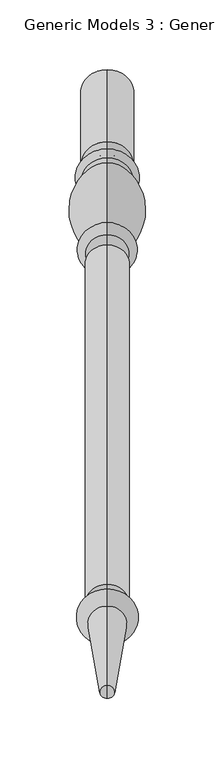
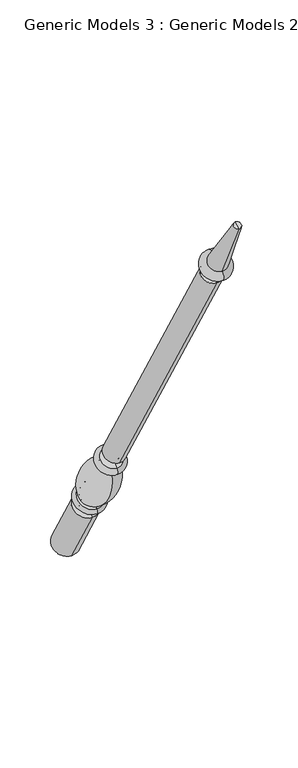
"""IFC4 building model written with IfcOpenShell, lengths in millimetres: proxy geometry, Generic Models 3 : Generic Models 2."""

from ifc_helpers import new_model, si_unit, point, frame, origin, place, context, project, spatial, polyline, circle_curve, ellipse_curve, trimmed, source, transform, mapped, element, save
from ifc_brep_helpers import plane_surface, cylinder_surface, revolved_surface, advanced_brep


def generic_models_3_generic_models_2_e9a91e8b(model_context):
    return source(origin(), model_context, "Body", "AdvancedBrep", [
        advanced_brep(
        [(-2229.2684498, 1861.1601077, 610.5814746), (-2229.2684498, 1828.1645398, 591.5314746), (-2229.2684498, 1880.0576333, 501.65), (-2229.2684498, 1913.0532012, 520.7), (-2229.2684498, 1853.6896456, 623.5206944), (-2229.2684498, 1820.6940777, 604.4706944), (-2229.2684498, 1849.5864045, 630.6277165), (-2229.2684498, 1816.5908366, 611.5777165), (-2229.2684498, 1845.9182158, 636.9812058), (-2229.2684498, 1812.9226479, 617.9312058), (-2229.2684498, 1801.1569262, 703.055156), (-2229.2684498, 1778.0815733, 689.7325947), (-2229.2684498, 1799.8610191, 710.4046105), (-2229.2684498, 1772.3647125, 694.5296105), (-2229.2684498, 1794.1590629, 720.2806883), (-2229.2684498, 1766.6627563, 704.4056883), (-2229.2684498, 1786.7732215, 733.0733408), (-2229.2684498, 1759.276915, 717.1983408), (-2229.2684498, 1542.2982215, 1156.516462), (-2229.2684498, 1514.801915, 1140.641462), (-2229.2684498, 1537.2251467, 1153.5875209), (-2229.2684498, 1519.8749898, 1143.5704031), (-2229.2684498, 1531.1910418, 1164.0388972), (-2229.2684498, 1513.8408848, 1154.0217794), (-2229.2684498, 1534.7597609, 1166.0992981), (-2229.2684498, 1510.2721658, 1151.9613785), (-2229.2684498, 1526.5847892, 1180.2587644), (-2229.2684498, 1502.0971941, 1166.1208448), (-2229.2684498, 1469.4852742, 1261.8053229), (-2229.2684498, 1460.0255603, 1256.3437545), (-2229.2684498, 1464.7554173, 1259.0745387), (-2229.2684498, 1896.5554173, 511.175)],
        [
            (0, 1, circle_curve(frame((-2229.2684498, 1844.6623237, 601.0564746), z_axis=(0.0, 0.5000000000000062, -0.8660254037844352), x_axis=(0.0, -0.8660254037844352, -0.5000000000000062)), 19.05)),
            (1, 2),
            (2, 3, circle_curve(frame((-2229.2684498, 1896.5554173, 511.175), z_axis=(0.0, -0.5000000000000062, 0.8660254037844352), x_axis=(0.0, -0.8660254037844352, -0.5000000000000062)), 19.05)),
            (3, 0),
            (1, 0, circle_curve(frame((-2229.2684498, 1844.6623237, 601.0564746), z_axis=(0.0, 0.5000000000000062, -0.8660254037844352), x_axis=(0.0, -0.8660254037844352, -0.5000000000000062)), 19.05)),
            (3, 2, circle_curve(frame((-2229.2684498, 1896.5554173, 511.175), z_axis=(0.0, -0.5000000000000062, 0.8660254037844352), x_axis=(0.0, -0.8660254037844352, -0.5000000000000062)), 19.05)),
            (4, 5, circle_curve(frame((-2229.2684498, 1837.1918617, 613.9956944), z_axis=(0.0, 0.5000000000000062, -0.8660254037844352), x_axis=(0.0, -0.8660254037844352, -0.5000000000000062)), 19.05)),
            (5, 1, circle_curve(frame((-2229.2684498, 1821.8102989, 596.4889985), z_axis=(-1.0, 0.0, 0.0), x_axis=(0.0, 0.8660254037844352, 0.5000000000000062)), 8.0593685)),
            (0, 4, circle_curve(frame((-2229.2684498, 1860.0438865, 618.5631706), z_axis=(-1.0, 0.0, 0.0), x_axis=(0.0, -0.8660254037844352, -0.5000000000000062)), 8.0593685)),
            (5, 4, circle_curve(frame((-2229.2684498, 1837.1918617, 613.9956944), z_axis=(0.0, 0.5000000000000062, -0.8660254037844352), x_axis=(0.0, -0.8660254037844352, -0.5000000000000062)), 19.05)),
            (6, 7, circle_curve(frame((-2229.2684498, 1833.0886205, 621.1027165), z_axis=(0.0, 0.5000000000000062, -0.8660254037844352), x_axis=(0.0, -0.8660254037844352, -0.5000000000000062)), 19.05)),
            (7, 5, circle_curve(frame((-2229.2684498, 1818.6424572, 608.0242055), z_axis=(1.0, 0.0, 0.0), x_axis=(0.0, 0.8660254037844352, 0.5000000000000062)), 4.1032411)),
            (4, 6, circle_curve(frame((-2229.2684498, 1851.638025, 627.0742055), z_axis=(1.0, 0.0, 0.0), x_axis=(0.0, -0.8660254037844352, -0.5000000000000062)), 4.1032411)),
            (7, 6, circle_curve(frame((-2229.2684498, 1833.0886205, 621.1027165), z_axis=(0.0, 0.5000000000000062, -0.8660254037844352), x_axis=(0.0, -0.8660254037844352, -0.5000000000000062)), 19.05)),
            (8, 9, circle_curve(frame((-2229.2684498, 1829.4204318, 627.4562058), z_axis=(0.0, 0.5000000000000062, -0.8660254037844352), x_axis=(0.0, -0.8660254037844352, -0.5000000000000062)), 19.05)),
            (9, 7, circle_curve(frame((-2229.2684498, 1813.3633086, 613.9499618), z_axis=(-1.0, 0.0, 0.0), x_axis=(0.0, 0.8660254037844352, 0.5000000000000062)), 4.0055568)),
            (6, 8, circle_curve(frame((-2229.2684498, 1849.1457438, 634.6089605), z_axis=(-1.0, 0.0, 0.0), x_axis=(0.0, -0.8660254037844352, -0.5000000000000062)), 4.0055568)),
            (9, 8, circle_curve(frame((-2229.2684498, 1829.4204318, 627.4562058), z_axis=(0.0, 0.5000000000000062, -0.8660254037844352), x_axis=(0.0, -0.8660254037844352, -0.5000000000000062)), 19.05)),
            (10, 11, circle_curve(frame((-2229.2684498, 1789.6192497, 696.3938754), z_axis=(0.0, 0.5000000000000062, -0.8660254037844352), x_axis=(0.0, -0.8660254037844352, -0.5000000000000062)), 13.3225612)),
            (11, 9, circle_curve(frame((-2229.2684498, 1854.1299968, 682.2806335), z_axis=(1.0, 0.0, 0.0), x_axis=(0.0, 0.8660254037844352, 0.5000000000000062)), 76.412659)),
            (8, 10, circle_curve(frame((-2229.2684498, 1769.5863022, 633.4693086), z_axis=(1.0, 0.0, 0.0), x_axis=(0.0, -0.8660254037844352, -0.5000000000000062)), 76.412659)),
            (11, 10, circle_curve(frame((-2229.2684498, 1789.6192497, 696.3938754), z_axis=(0.0, 0.5000000000000062, -0.8660254037844352), x_axis=(0.0, -0.8660254037844352, -0.5000000000000062)), 13.3225612)),
            (12, 13, circle_curve(frame((-2229.2684498, 1786.1128658, 702.4671105), z_axis=(0.0, 0.5000000000000062, -0.8660254037844352), x_axis=(0.0, -0.8660254037844352, -0.5000000000000062)), 15.875)),
            (13, 11, circle_curve(frame((-2229.2684498, 1773.4069828, 689.9666873), z_axis=(-1.0, 0.0, 0.0), x_axis=(0.0, 0.8660254037844352, 0.5000000000000062)), 4.6804482)),
            (10, 12, circle_curve(frame((-2229.2684498, 1803.2914914, 707.2205164), z_axis=(-1.0, 0.0, 0.0), x_axis=(0.0, -0.8660254037844352, -0.5000000000000062)), 4.6804482)),
            (13, 12, circle_curve(frame((-2229.2684498, 1786.1128658, 702.4671105), z_axis=(0.0, 0.5000000000000062, -0.8660254037844352), x_axis=(0.0, -0.8660254037844352, -0.5000000000000062)), 15.875)),
            (14, 15, circle_curve(frame((-2229.2684498, 1780.4109096, 712.3431883), z_axis=(0.0, 0.5000000000000062, -0.8660254037844352), x_axis=(0.0, -0.8660254037844352, -0.5000000000000062)), 15.875)),
            (15, 13, circle_curve(frame((-2229.2684498, 1769.5137344, 699.4676494), z_axis=(1.0, 0.0, 0.0), x_axis=(0.0, 0.8660254037844352, 0.5000000000000062)), 5.7019562)),
            (12, 14, circle_curve(frame((-2229.2684498, 1797.010041, 715.3426494), z_axis=(1.0, 0.0, 0.0), x_axis=(0.0, -0.8660254037844352, -0.5000000000000062)), 5.7019562)),
            (15, 14, circle_curve(frame((-2229.2684498, 1780.4109096, 712.3431883), z_axis=(0.0, 0.5000000000000062, -0.8660254037844352), x_axis=(0.0, -0.8660254037844352, -0.5000000000000062)), 15.875)),
            (16, 17, circle_curve(frame((-2229.2684498, 1773.0250683, 725.1358408), z_axis=(0.0, 0.5000000000000062, -0.8660254037844352), x_axis=(0.0, -0.8660254037844352, -0.5000000000000062)), 15.875)),
            (17, 15, circle_curve(frame((-2229.2684498, 1762.9698356, 710.8020145), z_axis=(-1.0, 0.0, 0.0), x_axis=(0.0, 0.8660254037844352, 0.5000000000000062)), 7.3858413)),
            (14, 16, circle_curve(frame((-2229.2684498, 1790.4661422, 726.6770145), z_axis=(-1.0, 0.0, 0.0), x_axis=(0.0, -0.8660254037844352, -0.5000000000000062)), 7.3858413)),
            (17, 16, circle_curve(frame((-2229.2684498, 1773.0250683, 725.1358408), z_axis=(0.0, 0.5000000000000062, -0.8660254037844352), x_axis=(0.0, -0.8660254037844352, -0.5000000000000062)), 15.875)),
            (18, 19, circle_curve(frame((-2229.2684498, 1528.5500683, 1148.578962), z_axis=(0.0, 0.5000000000000062, -0.8660254037844352), x_axis=(0.0, -0.8660254037844352, -0.5000000000000062)), 15.875)),
            (19, 17),
            (16, 18),
            (19, 18, circle_curve(frame((-2229.2684498, 1528.5500683, 1148.578962), z_axis=(0.0, 0.5000000000000062, -0.8660254037844352), x_axis=(0.0, -0.8660254037844352, -0.5000000000000062)), 15.875)),
            (20, 21, circle_curve(frame((-2229.2684498, 1528.5500683, 1148.578962), z_axis=(0.0, 0.5000000000000062, -0.8660254037844352), x_axis=(0.0, -0.8660254037844352, -0.5000000000000062)), 10.0171178)),
            (21, 19),
            (18, 20),
            (21, 20, circle_curve(frame((-2229.2684498, 1528.5500683, 1148.578962), z_axis=(0.0, 0.5000000000000062, -0.8660254037844352), x_axis=(0.0, -0.8660254037844352, -0.5000000000000062)), 10.0171178)),
            (22, 23, circle_curve(frame((-2229.2684498, 1522.5159633, 1159.0303383), z_axis=(0.0, 0.5000000000000062, -0.8660254037844352), x_axis=(0.0, -0.8660254037844352, -0.5000000000000062)), 10.0171178)),
            (23, 21, circle_curve(frame((-2229.2684498, 1515.3020818, 1147.8978177), z_axis=(-1.0, 0.0, 0.0), x_axis=(0.0, 0.8660254037844352, 0.5000000000000062)), 6.295872)),
            (20, 22, circle_curve(frame((-2229.2684498, 1535.7639497, 1159.7114826), z_axis=(-1.0, 0.0, 0.0), x_axis=(0.0, -0.8660254037844352, -0.5000000000000062)), 6.295872)),
            (23, 22, circle_curve(frame((-2229.2684498, 1522.5159633, 1159.0303383), z_axis=(0.0, 0.5000000000000062, -0.8660254037844352), x_axis=(0.0, -0.8660254037844352, -0.5000000000000062)), 10.0171178)),
            (24, 25, circle_curve(frame((-2229.2684498, 1522.5159633, 1159.0303383), z_axis=(0.0, 0.5000000000000062, -0.8660254037844352), x_axis=(0.0, -0.8660254037844352, -0.5000000000000062)), 14.1379196)),
            (25, 23),
            (22, 24),
            (25, 24, circle_curve(frame((-2229.2684498, 1522.5159633, 1159.0303383), z_axis=(0.0, 0.5000000000000062, -0.8660254037844352), x_axis=(0.0, -0.8660254037844352, -0.5000000000000062)), 14.1379196)),
            (26, 27, circle_curve(frame((-2229.2684498, 1514.3409916, 1173.1898046), z_axis=(0.0, 0.5000000000000062, -0.8660254037844352), x_axis=(0.0, -0.8660254037844352, -0.5000000000000062)), 14.1379196)),
            (27, 25, circle_curve(frame((-2229.2684498, 1506.1846799, 1159.0411116), z_axis=(1.0, 0.0, 0.0), x_axis=(0.0, 0.8660254037844352, 0.5000000000000062)), 8.1749717)),
            (24, 26, circle_curve(frame((-2229.2684498, 1530.672275, 1173.1790313), z_axis=(1.0, 0.0, 0.0), x_axis=(0.0, -0.8660254037844352, -0.5000000000000062)), 8.1749717)),
            (27, 26, circle_curve(frame((-2229.2684498, 1514.3409916, 1173.1898046), z_axis=(0.0, 0.5000000000000062, -0.8660254037844352), x_axis=(0.0, -0.8660254037844352, -0.5000000000000062)), 14.1379196)),
            (28, 29, circle_curve(frame((-2229.2684498, 1464.7554173, 1259.0745387), z_axis=(0.0, 0.5000000000000062, -0.8660254037844352), x_axis=(0.0, -0.8660254037844352, -0.5000000000000062)), 5.4615684)),
            (29, 27),
            (26, 28),
            (29, 28, circle_curve(frame((-2229.2684498, 1464.7554173, 1259.0745387), z_axis=(0.0, 0.5000000000000062, -0.8660254037844352), x_axis=(0.0, -0.8660254037844352, -0.5000000000000062)), 5.4615684)),
            (30, 29),
            (28, 30),
            (2, 31),
            (31, 3),
        ],
        [
            cylinder_surface(frame((-2229.2684498, 1464.7554173, 1259.0745387), z_axis=(0.0, -0.5000000000000062, 0.8660254037844352), x_axis=(0.0, -0.8660254037844352, -0.5000000000000062)), 19.05),
            revolved_surface(trimmed(ellipse_curve(frame((-2229.2684498, 1821.8102989, 596.4889985), z_axis=(1.0, 0.0, 0.0), x_axis=(0.0, 0.8660254037844352, 0.5000000000000062)), 8.0593685, 8.0593685), [point((-2229.2684498, 1828.1645398, 591.5314746))], [point((-2229.2684498, 1820.6940777, 604.4706944))], True, "CARTESIAN"), (-2229.2684498, 1464.7554173, 1259.0745387), (0.0, -0.5000000000000062, 0.8660254037844352)),
            revolved_surface(trimmed(ellipse_curve(frame((-2229.2684498, 1818.6424572, 608.0242055), z_axis=(-1.0, 0.0, 0.0), x_axis=(0.0, 0.8660254037844352, 0.5000000000000062)), 4.1032411, 4.1032411), [point((-2229.2684498, 1820.6940777, 604.4706944))], [point((-2229.2684498, 1816.5908366, 611.5777165))], True, "CARTESIAN"), (-2229.2684498, 1464.7554173, 1259.0745387), (0.0, -0.5000000000000062, 0.8660254037844352)),
            revolved_surface(trimmed(ellipse_curve(frame((-2229.2684498, 1813.3633086, 613.9499618), z_axis=(1.0, 0.0, 0.0), x_axis=(0.0, 0.8660254037844352, 0.5000000000000062)), 4.0055568, 4.0055568), [point((-2229.2684498, 1816.5908366, 611.5777165))], [point((-2229.2684498, 1812.9226479, 617.9312058))], True, "CARTESIAN"), (-2229.2684498, 1464.7554173, 1259.0745387), (0.0, -0.5000000000000062, 0.8660254037844352)),
            revolved_surface(trimmed(ellipse_curve(frame((-2229.2684498, 1854.1299968, 682.2806335), z_axis=(-1.0, 0.0, 0.0), x_axis=(0.0, 0.8660254037844352, 0.5000000000000062)), 76.412659, 76.412659), [point((-2229.2684498, 1812.9226479, 617.9312058))], [point((-2229.2684498, 1778.0815733, 689.7325947))], True, "CARTESIAN"), (-2229.2684498, 1464.7554173, 1259.0745387), (0.0, -0.5000000000000062, 0.8660254037844352)),
            revolved_surface(trimmed(ellipse_curve(frame((-2229.2684498, 1773.4069828, 689.9666873), z_axis=(1.0, 0.0, 0.0), x_axis=(0.0, 0.8660254037844352, 0.5000000000000062)), 4.6804482, 4.6804482), [point((-2229.2684498, 1778.0815733, 689.7325947))], [point((-2229.2684498, 1772.3647125, 694.5296105))], True, "CARTESIAN"), (-2229.2684498, 1464.7554173, 1259.0745387), (0.0, -0.5000000000000062, 0.8660254037844352)),
            revolved_surface(trimmed(ellipse_curve(frame((-2229.2684498, 1769.5137344, 699.4676494), z_axis=(-1.0, 0.0, 0.0), x_axis=(0.0, 0.8660254037844352, 0.5000000000000062)), 5.7019562, 5.7019562), [point((-2229.2684498, 1772.3647125, 694.5296105))], [point((-2229.2684498, 1766.6627563, 704.4056883))], True, "CARTESIAN"), (-2229.2684498, 1464.7554173, 1259.0745387), (0.0, -0.5000000000000062, 0.8660254037844352)),
            revolved_surface(trimmed(ellipse_curve(frame((-2229.2684498, 1762.9698356, 710.8020145), z_axis=(1.0, 0.0, 0.0), x_axis=(0.0, 0.8660254037844352, 0.5000000000000062)), 7.3858413, 7.3858413), [point((-2229.2684498, 1766.6627563, 704.4056883))], [point((-2229.2684498, 1759.276915, 717.1983408))], True, "CARTESIAN"), (-2229.2684498, 1464.7554173, 1259.0745387), (0.0, -0.5000000000000062, 0.8660254037844352)),
            cylinder_surface(frame((-2229.2684498, 1464.7554173, 1259.0745387), z_axis=(0.0, -0.5000000000000062, 0.8660254037844352), x_axis=(0.0, -0.8660254037844352, -0.5000000000000062)), 15.875),
            plane_surface(frame((-2229.2684498, 1528.5500683, 1148.578962), z_axis=(0.0, -0.5000000000000062, 0.8660254037844352), x_axis=(0.0, -0.8660254037844352, -0.5000000000000062))),
            revolved_surface(trimmed(ellipse_curve(frame((-2229.2684498, 1515.3020818, 1147.8978177), z_axis=(1.0, 0.0, 0.0), x_axis=(0.0, 0.8660254037844352, 0.5000000000000062)), 6.295872, 6.295872), [point((-2229.2684498, 1519.8749898, 1143.5704031))], [point((-2229.2684498, 1513.8408848, 1154.0217794))], True, "CARTESIAN"), (-2229.2684498, 1464.7554173, 1259.0745387), (0.0, -0.5000000000000062, 0.8660254037844352)),
            plane_surface(frame((-2229.2684498, 1522.5159633, 1159.0303383), z_axis=(0.0, 0.5000000000000062, -0.8660254037844352), x_axis=(0.0, -0.8660254037844352, -0.5000000000000062))),
            revolved_surface(trimmed(ellipse_curve(frame((-2229.2684498, 1506.1846799, 1159.0411116), z_axis=(-1.0, 0.0, 0.0), x_axis=(0.0, 0.8660254037844352, 0.5000000000000062)), 8.1749717, 8.1749717), [point((-2229.2684498, 1510.2721658, 1151.9613785))], [point((-2229.2684498, 1502.0971941, 1166.1208448))], True, "CARTESIAN"), (-2229.2684498, 1464.7554173, 1259.0745387), (0.0, -0.5000000000000062, 0.8660254037844352)),
            revolved_surface(polyline([(-2229.2684498, 1502.0971941, 1166.1208448), (-2229.2684498, 1460.0255603, 1256.3437545)]), (-2229.2684498, 1464.7554173, 1259.0745387), (0.0, -0.5000000000000062, 0.8660254037844352)),
            plane_surface(frame((-2229.2684498, 1464.7554173, 1259.0745387), z_axis=(0.0, -0.5000000000000062, 0.8660254037844352), x_axis=(0.0, -0.8660254037844352, -0.5000000000000062))),
            plane_surface(frame((-2229.2684498, 1896.5554173, 511.175), z_axis=(0.0, 0.5000000000000062, -0.8660254037844352), x_axis=(0.0, -0.8660254037844352, -0.5000000000000062))),
        ],
        [
            (0, [[1, 2, 3, 4]]),
            (0, [[5, -4, 6, -2]]),
            (1, [[7, 8, -1, 9]]),
            (1, [[10, -9, -5, -8]]),
            (2, [[11, 12, -7, 13]]),
            (2, [[14, -13, -10, -12]]),
            (3, [[15, 16, -11, 17]]),
            (3, [[18, -17, -14, -16]]),
            (4, [[19, 20, -15, 21]]),
            (4, [[22, -21, -18, -20]]),
            (5, [[23, 24, -19, 25]]),
            (5, [[26, -25, -22, -24]]),
            (6, [[27, 28, -23, 29]]),
            (6, [[30, -29, -26, -28]]),
            (7, [[31, 32, -27, 33]]),
            (7, [[34, -33, -30, -32]]),
            (8, [[35, 36, -31, 37]]),
            (8, [[38, -37, -34, -36]]),
            (9, [[39, 40, -35, 41]]),
            (9, [[42, -41, -38, -40]]),
            (10, [[43, 44, -39, 45]]),
            (10, [[46, -45, -42, -44]]),
            (11, [[47, 48, -43, 49]]),
            (11, [[50, -49, -46, -48]]),
            (12, [[51, 52, -47, 53]]),
            (12, [[54, -53, -50, -52]]),
            (13, [[55, 56, -51, 57]]),
            (13, [[58, -57, -54, -56]]),
            (14, [[59, -55, 60]]),
            (14, [[-60, -58, -59]]),
            (15, [[-3, 61, 62]]),
            (15, [[-6, -62, -61]]),
        ],
    ),
    ])


if __name__ == "__main__":
    model = new_model("IFC4")
    model_context = context("Model", 3, world=origin())
    ifc_project = project(units=[si_unit("LENGTHUNIT", "METRE", prefix="MILLI")], contexts=[model_context])
    site = spatial("IfcSite", under=ifc_project)
    building = spatial("IfcBuilding", under=site)
    placement = place(None, origin())
    generic_models_3_generic_models_2_shape = generic_models_3_generic_models_2_e9a91e8b(model_context)
    element("IfcBuildingElementProxy", 1, Name="Generic Models 3 : Generic Models 2", ObjectType="Generic Models 3 : Generic Models 2", at=placement, inside=building, context=model_context, shape_type="MappedRepresentation", body=[
        mapped(generic_models_3_generic_models_2_shape, transform((0.0, 0.0, 0.0), x_axis=(1.0, 0.0, 0.0), y_axis=(0.0, 1.0, 0.0), z_axis=(0.0, 0.0, 1.0))),
    ])
    save(model, "model.ifc")
